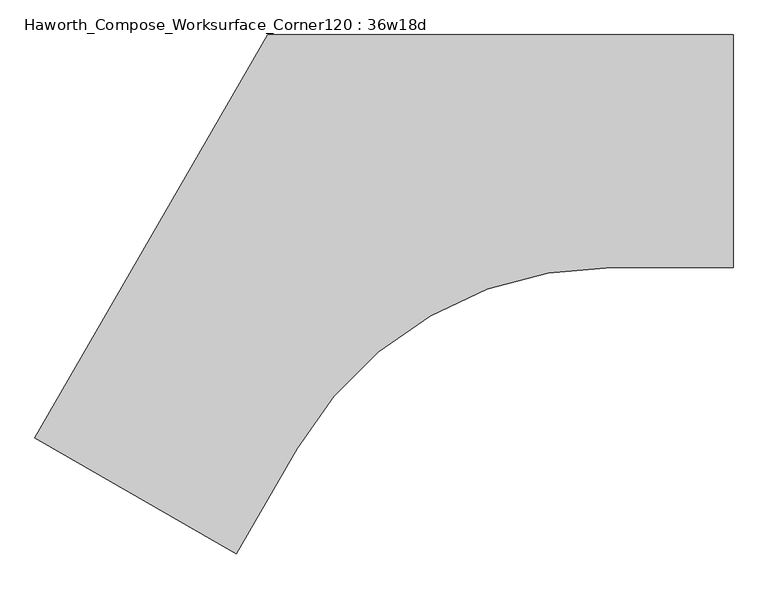
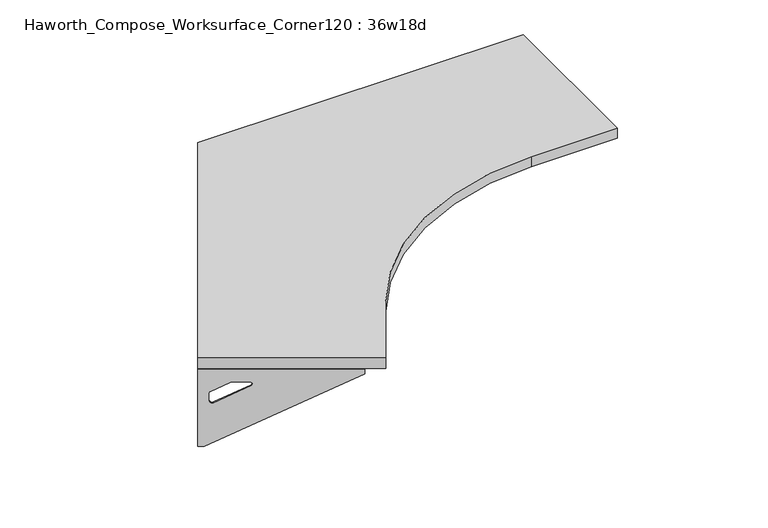
"""IFC4 building model written with IfcOpenShell, lengths in millimetres: furniture geometry, Haworth_Compose_Worksurface_Corner120 : 36w18d."""

import ifcopenshell
import ifcopenshell.guid

model = None  # the IFC model being written
_history = None  # IfcOwnerHistory: only IFC2X3 demands one
_inside = {}  # id of a spatial element -> (the spatial element, [elements in it])
_under = {}  # id of a project, library or spatial element -> (it, [spatial elements below it])
_declared = {}  # id of a project -> (the project, [libraries it declares])
_typed = {}  # id of a type object -> (the type object, [elements of that type])
_made_of = {}  # id of a material, layer set ... -> (it, [elements and type objects made of it])


def new_model(schema):
    """Start an empty IFC model of exactly this schema.

    Asked for "IFC4X3", IfcOpenShell would pick the latest addendum, in which some entities
    have other attributes; the version numbers below select the first issue.
    IFC2X3 requires an IfcOwnerHistory on every rooted entity: one is made here for all.
    """
    global model, _history
    if schema == "IFC4X3":
        model = ifcopenshell.file(schema_version=(4, 3, 0, 0))
    else:
        model = ifcopenshell.file(schema=schema)
    _inside.clear()
    _under.clear()
    _declared.clear()
    _typed.clear()
    _made_of.clear()
    _history = None
    if model.schema == "IFC2X3":
        org = make("IfcOrganization", Name="unknown")
        user = make(
            "IfcPersonAndOrganization",
            ThePerson=make("IfcPerson", FamilyName="unknown"),
            TheOrganization=org,
        )
        app = make(
            "IfcApplication",
            ApplicationDeveloper=org,
            Version="unknown",
            ApplicationFullName="unknown",
            ApplicationIdentifier="unknown",
        )
        _history = make(
            "IfcOwnerHistory",
            OwningUser=user,
            OwningApplication=app,
            ChangeAction="ADDED",
            CreationDate=0,
        )
    return model


def make(cls, **values):
    """One entity of the class cls with the attributes given. An attribute that is None is left unset."""
    return model.create_entity(
        cls, **{name: value for name, value in values.items() if value is not None}
    )


def rooted(cls, **values):
    """An entity with a GlobalId (a new one), such as an element, a storey or a relation."""
    return make(cls, GlobalId=ifcopenshell.guid.new(), OwnerHistory=_history, **values)


def si_unit(unit_type, name, prefix=None):
    """IfcSIUnit, for example si_unit("LENGTHUNIT", "METRE", prefix="MILLI")."""
    return make("IfcSIUnit", UnitType=unit_type, Prefix=prefix, Name=name)


def assignment(units):
    """IfcUnitAssignment: the units of a project."""
    return None if units is None else make("IfcUnitAssignment", Units=units)


def point(xyz):
    """IfcCartesianPoint."""
    return None if xyz is None else make("IfcCartesianPoint", Coordinates=xyz)


def direction(xyz):
    """IfcDirection."""
    return None if xyz is None else make("IfcDirection", DirectionRatios=xyz)


def frame(location, z_axis=None, x_axis=None):
    """IfcAxis2Placement3D, a coordinate frame: its origin and axes. An axis left out is left unset."""
    return make(
        "IfcAxis2Placement3D",
        Location=point(location),
        Axis=direction(z_axis),
        RefDirection=direction(x_axis),
    )


def frame_2d(location, x_axis=None):
    """IfcAxis2Placement2D, a coordinate frame in the plane: its origin and x axis."""
    return make(
        "IfcAxis2Placement2D", Location=point(location), RefDirection=direction(x_axis)
    )


def origin():
    """The frame at (0, 0, 0) with its axes left unset."""
    return frame((0.0, 0.0, 0.0))


def place(relative_to, where):
    """IfcLocalPlacement: puts the frame where relative to a parent placement (None: the world)."""
    return make(
        "IfcLocalPlacement", PlacementRelTo=relative_to, RelativePlacement=where
    )


def context(
    kind, dimensions, precision=None, world=None, true_north=None, identifier=None
):
    """IfcGeometricRepresentationContext, for example the 3D "Model" context."""
    return make(
        "IfcGeometricRepresentationContext",
        ContextIdentifier=identifier,
        ContextType=kind,
        CoordinateSpaceDimension=dimensions,
        Precision=precision,
        WorldCoordinateSystem=world,
        TrueNorth=true_north,
    )


def project(units=None, contexts=None):
    """IfcProject with its units and contexts."""
    return rooted(
        "IfcProject",
        Name="project",
        RepresentationContexts=contexts,
        UnitsInContext=assignment(units),
    )


def spatial(cls, under=None, at=None, **own):
    """A site, building, storey or space (cls), placed at a placement, below another one or the project."""
    s = rooted(cls, ObjectPlacement=at, **own)
    if under is not None:
        _under.setdefault(under.id(), (under, []))[1].append(s)
    return s


def polyline(points):
    """IfcPolyline through the points."""
    return make("IfcPolyline", Points=[point(p) for p in points])


def circle_curve(where, radius):
    """IfcCircle in the frame where."""
    return make("IfcCircle", Position=where, Radius=radius)


def trimmed(basis, trim1, trim2, sense, master):
    """IfcTrimmedCurve: the piece of a basis curve between two trims."""
    return make(
        "IfcTrimmedCurve",
        BasisCurve=basis,
        Trim1=trim1,
        Trim2=trim2,
        SenseAgreement=sense,
        MasterRepresentation=master,
    )


def segment(curve, same_sense, transition):
    """IfcCompositeCurveSegment."""
    return make(
        "IfcCompositeCurveSegment",
        Transition=transition,
        SameSense=same_sense,
        ParentCurve=curve,
    )


def composite_curve(segments, self_intersect=None):
    """IfcCompositeCurve: segments joined end to end."""
    return make("IfcCompositeCurve", Segments=segments, SelfIntersect=self_intersect)


def outline(outer, holes=None, kind="AREA"):
    """IfcArbitraryClosedProfileDef: a profile drawn as a closed curve; with holes, ...WithVoids."""
    if holes is None:
        return make("IfcArbitraryClosedProfileDef", ProfileType=kind, OuterCurve=outer)
    return make(
        "IfcArbitraryProfileDefWithVoids",
        ProfileType=kind,
        OuterCurve=outer,
        InnerCurves=holes,
    )


def extrude(swept, where, along, depth):
    """IfcExtrudedAreaSolid: the profile swept, set in the frame where, extruded along a direction by depth."""
    return make(
        "IfcExtrudedAreaSolid",
        SweptArea=swept,
        Position=where,
        ExtrudedDirection=direction(along),
        Depth=depth,
    )


def shape(context_of_items, identifier, shape_type, items):
    """IfcShapeRepresentation: the items that make up one representation, for example the "Body"."""
    return make(
        "IfcShapeRepresentation",
        ContextOfItems=context_of_items,
        RepresentationIdentifier=identifier,
        RepresentationType=shape_type,
        Items=items,
    )


def source(mapping_origin, context_of_items, identifier, shape_type, items):
    """IfcRepresentationMap: a shape defined once, which mapped items show again and again."""
    return make(
        "IfcRepresentationMap",
        MappingOrigin=mapping_origin,
        MappedRepresentation=shape(context_of_items, identifier, shape_type, items),
    )


def transform(
    local_origin,
    x_axis=None,
    y_axis=None,
    z_axis=None,
    scale=None,
    scale2=None,
    scale3=None,
    uniform=True,
):
    """IfcCartesianTransformationOperator3D, or its non-uniform kind. x_axis, y_axis, z_axis: its Axis1, 2, 3."""
    if uniform:
        return make(
            "IfcCartesianTransformationOperator3D",
            Axis1=direction(x_axis),
            Axis2=direction(y_axis),
            LocalOrigin=point(local_origin),
            Scale=scale,
            Axis3=direction(z_axis),
        )
    return make(
        "IfcCartesianTransformationOperator3DnonUniform",
        Axis1=direction(x_axis),
        Axis2=direction(y_axis),
        LocalOrigin=point(local_origin),
        Scale=scale,
        Axis3=direction(z_axis),
        Scale2=scale2,
        Scale3=scale3,
    )


def mapped(mapping_source, mapping_target):
    """IfcMappedItem: shows the shape of a source again, moved by a transform."""
    return make(
        "IfcMappedItem", MappingSource=mapping_source, MappingTarget=mapping_target
    )


def made_of(thing, what):
    """Note that an element or type object is made of a material, layer set ...; save() writes the relation."""
    if what is not None:
        _made_of.setdefault(what.id(), (what, []))[1].append(thing)
    return thing


def element(
    cls,
    number,
    at=None,
    inside=None,
    cuts=None,
    type_object=None,
    material=None,
    context=None,
    identifier="Body",
    shape_type=None,
    held_by="IfcProductDefinitionShape",
    body=None,
    shapes=None,
    **own,
):
    """One element of the class cls, such as IfcWall. Its Tag is "e" and its number.

    at: its placement. inside: the storey or other place that contains it. cuts: it is an
    opening in that element (IfcRelVoidsElement). A single representation is given by context,
    identifier, shape_type and body (its items); several are given by shapes. held_by: the class
    of the entity that holds the representations. save() writes the other relations.
    """
    e = rooted(cls, Tag="e%d" % number, ObjectPlacement=at, **own)
    if body is not None:
        shapes = [shape(context, identifier, shape_type, body)]
    if shapes is not None:
        e.Representation = make(held_by, Representations=shapes)
    if inside is not None:
        _inside.setdefault(inside.id(), (inside, []))[1].append(e)
    if cuts is not None:
        rooted(
            "IfcRelVoidsElement", RelatingBuildingElement=cuts, RelatedOpeningElement=e
        )
    if type_object is not None:
        _typed.setdefault(type_object.id(), (type_object, []))[1].append(e)
    return made_of(e, material)


def aggregate(whole, parts):
    """IfcRelAggregates: a whole, such as a stair, and the parts it consists of."""
    return rooted("IfcRelAggregates", RelatingObject=whole, RelatedObjects=parts)


def save(model, path):
    """Write the relations noted so far, then the file.

    IfcRelAggregates (storeys below a building ...), IfcRelContainedInSpatialStructure (elements
    in a storey), IfcRelDefinesByType, IfcRelAssociatesMaterial and IfcRelDeclares: one each for
    every whole, place, type object, material and project.
    """
    for whole, parts in _under.values():
        aggregate(whole, parts)
    for where, things in _inside.values():
        rooted(
            "IfcRelContainedInSpatialStructure",
            RelatedElements=things,
            RelatingStructure=where,
        )
    for kind, things in _typed.values():
        rooted("IfcRelDefinesByType", RelatedObjects=things, RelatingType=kind)
    for what, things in _made_of.values():
        rooted("IfcRelAssociatesMaterial", RelatedObjects=things, RelatingMaterial=what)
    for by, libraries in _declared.values():
        rooted("IfcRelDeclares", RelatingContext=by, RelatedDefinitions=libraries)
    model.write(path)


def plane_surface(at):
    """IfcPlane: the flat surface through the origin of the frame at, square to its z axis."""
    return make("IfcPlane", Position=at)


def revolved_surface(curve, axis_point, axis_direction):
    """IfcSurfaceOfRevolution: the curve turned about the line through axis_point along axis_direction."""
    return make(
        "IfcSurfaceOfRevolution",
        SweptCurve=make("IfcArbitraryOpenProfileDef", ProfileType="CURVE", Curve=curve),
        AxisPosition=make("IfcAxis1Placement", Location=point(axis_point), Axis=direction(axis_direction)),
    )


def advanced_brep(points, edges, surfaces, faces):
    """IfcAdvancedBrep: a solid bounded by faces that lie on surfaces and meet in shared edges.

    An edge is (start, end): straight between two places in points (the first is 0);
    or (start, end, curve); or (start, end, curve, False) where it runs against its curve.
    A face is (place in surfaces, loops), or (place, loops, False) where it looks against
    its surface's normal. A loop lists edges by number (the first is 1), with a minus sign
    where the edge is run from its end to its start. The first loop is the outer one.
    """
    corners = [point(p) for p in points]
    vertices = [make("IfcVertexPoint", VertexGeometry=c) for c in corners]
    made = []
    for start, end, *more in edges:
        made.append(
            make(
                "IfcEdgeCurve",
                EdgeStart=vertices[start],
                EdgeEnd=vertices[end],
                EdgeGeometry=more[0] if more else make("IfcPolyline", Points=[corners[start], corners[end]]),
                SameSense=more[1] if len(more) > 1 else True,
            )
        )
    hull = []
    for where, loops, *sense in faces:
        bounds = []
        for j, loop in enumerate(loops):
            ring = [make("IfcOrientedEdge", EdgeElement=made[abs(k) - 1], Orientation=k > 0) for k in loop]
            bounds.append(
                make(
                    "IfcFaceOuterBound" if j == 0 else "IfcFaceBound",
                    Bound=make("IfcEdgeLoop", EdgeList=ring),
                    Orientation=True,
                )
            )
        hull.append(make("IfcAdvancedFace", Bounds=bounds, FaceSurface=surfaces[where], SameSense=sense[0] if sense else True))
    return make("IfcAdvancedBrep", Outer=make("IfcClosedShell", CfsFaces=hull))


def haworth_compose_worksurface_corner120_36w18d_43731341(model_context):
    return source(origin(), model_context, "Body", "SolidModel", [
        advanced_brep(
        [(150.01875, 304.8, 473.86875), (150.01875, 288.925, 473.86875), (150.01875, -101.6, 690.1317568), (150.01875, -101.6, 702.46875), (150.01875, 288.925, 702.46875), (150.01875, 304.8, 702.46875), (150.01875, 221.490072, 664.36875), (150.01875, 177.8355284, 664.36875), (150.01875, 175.1564235, 654.7830539), (150.01875, 266.8776173, 603.9901439), (150.01875, 276.225, 609.5881969), (150.01875, 276.225, 633.0985246), (150.01875, 274.4730055, 635.9367776), (150.01875, 224.5663437, 663.5738425), (152.4, 304.8, 473.86875), (152.4, 304.8, 702.46875), (152.4, 288.925, 702.46875), (152.4, 288.925, 704.85), (152.4, -101.6, 704.85), (152.4, -101.6, 690.1317568), (152.4, 288.925, 473.86875), (152.4, 221.490072, 664.36875), (152.4, 224.5663437, 663.5738425), (152.4, 274.4730055, 635.9367776), (152.4, 276.225, 633.0985246), (152.4, 276.225, 609.5881969), (152.4, 266.8776173, 603.9901439), (152.4, 175.1564235, 654.7830539), (152.4, 177.8355284, 664.36875), (111.125, -101.6, 704.85), (111.125, -101.6, 702.46875), (111.125, 288.925, 702.46875), (111.125, 288.925, 704.85)],
        [
            (0, 1),
            (1, 2),
            (2, 3),
            (3, 4),
            (4, 5),
            (5, 0),
            (6, 7),
            (7, 8, circle_curve(frame((150.01875, 177.8355284, 659.2015106), z_axis=(1.0, 0.0, 0.0), x_axis=(0.0, -1.0, 0.0)), 5.1672394)),
            (8, 9),
            (9, 10, circle_curve(frame((150.01875, 269.875, 609.5881969), z_axis=(1.0, 0.0, 0.0), x_axis=(0.0, -1.0, 0.0)), 6.35)),
            (10, 11),
            (11, 12, circle_curve(frame((150.01875, 273.05, 633.0985246), z_axis=(1.0, 0.0, 0.0), x_axis=(0.0, -1.0, 0.0)), 3.175)),
            (12, 13),
            (13, 6, circle_curve(frame((150.01875, 221.490072, 658.01875), z_axis=(1.0, 0.0, 0.0), x_axis=(0.0, -1.0, 0.0)), 6.35)),
            (14, 15),
            (15, 16),
            (16, 17),
            (17, 18),
            (18, 19),
            (19, 20),
            (20, 14),
            (21, 22, circle_curve(frame((152.4, 221.490072, 658.01875), z_axis=(-1.0, 0.0, 0.0), x_axis=(0.0, -1.0, 0.0)), 6.35)),
            (22, 23),
            (23, 24, circle_curve(frame((152.4, 273.05, 633.0985246), z_axis=(-1.0, 0.0, 0.0), x_axis=(0.0, -1.0, 0.0)), 3.175)),
            (24, 25),
            (25, 26, circle_curve(frame((152.4, 269.875, 609.5881969), z_axis=(-1.0, 0.0, 0.0), x_axis=(0.0, -1.0, 0.0)), 6.35)),
            (26, 27),
            (27, 28, circle_curve(frame((152.4, 177.8355284, 659.2015106), z_axis=(-1.0, 0.0, 0.0), x_axis=(0.0, -1.0, 0.0)), 5.1672394)),
            (28, 21),
            (4, 16),
            (15, 5),
            (14, 0),
            (20, 1),
            (19, 2),
            (18, 29),
            (29, 30),
            (30, 3),
            (6, 21),
            (28, 7),
            (9, 26),
            (25, 10),
            (24, 11),
            (23, 12),
            (27, 8),
            (31, 4),
            (30, 31),
            (32, 29),
            (17, 32),
            (31, 32),
            (22, 13),
        ],
        [
            plane_surface(frame((150.01875, 304.8, 473.86875), z_axis=(-1.0, 0.0, 0.0), x_axis=(0.0, 1.0, 0.0))),
            plane_surface(frame((152.4, 304.8, 473.86875), z_axis=(1.0, 0.0, 0.0), x_axis=(0.0, -1.0, 0.0))),
            plane_surface(frame((152.4, -101.6, 702.46875), z_axis=(0.0, 0.0, 1.0), x_axis=(-1.0, 0.0, 0.0))),
            plane_surface(frame((152.4, 304.8, 702.46875), z_axis=(0.0, 1.0, 0.0), x_axis=(-1.0, 0.0, 0.0))),
            plane_surface(frame((152.4, 304.8, 473.86875), z_axis=(0.0, 0.0, -1.0), x_axis=(-1.0, 0.0, 0.0))),
            plane_surface(frame((152.4, 288.925, 473.86875), z_axis=(0.0, -0.4844522351345575, -0.8748177135112957), x_axis=(-1.0, 0.0, 0.0))),
            plane_surface(frame((152.4, -101.6, 690.1317568), z_axis=(0.0, -1.0, 0.0), x_axis=(-1.0, 0.0, 0.0))),
            plane_surface(frame((152.4, 221.490072, 664.36875), z_axis=(0.0, 0.0, -1.0), x_axis=(-1.0, 0.0, 0.0))),
            revolved_surface(polyline([(150.01875, 263.525, 609.5881969), (152.4, 263.525, 609.5881969)]), (152.4, 269.875, 609.5881969), (-1.0, 0.0, 0.0)),
            plane_surface(frame((152.4, 276.225, 609.5881969), z_axis=(0.0, -1.0, 0.0), x_axis=(-1.0, 0.0, 0.0))),
            revolved_surface(polyline([(150.01875, 269.875, 633.0985246), (152.4, 269.875, 633.0985246)]), (152.4, 273.05, 633.0985246), (-1.0, 0.0, 0.0)),
            revolved_surface(polyline([(150.01875, 172.668289, 659.2015106), (152.4, 172.668289, 659.2015106)]), (152.4, 177.8355284, 659.2015106), (-1.0, 0.0, 0.0)),
            plane_surface(frame((152.4, 288.925, 702.46875), z_axis=(0.0, 0.0, -1.0), x_axis=(-1.0, 0.0, 0.0))),
            plane_surface(frame((152.4, 288.925, 704.85), z_axis=(0.0, 0.0, 1.0), x_axis=(1.0, 0.0, 0.0))),
            plane_surface(frame((111.125, 288.925, 704.85), z_axis=(0.0, 1.0, 0.0), x_axis=(0.0, 0.0, -1.0))),
            plane_surface(frame((111.125, -101.6, 704.85), z_axis=(-1.0, 0.0, 0.0), x_axis=(0.0, 0.0, -1.0))),
            plane_surface(frame((152.4, 175.1564235, 654.7830539), z_axis=(0.0, 0.4844522351341526, 0.8748177135115199), x_axis=(-1.0, 0.0, 0.0))),
            plane_surface(frame((152.4, 274.4730055, 635.9367776), z_axis=(0.0, -0.48445223513456226, -0.874817713511293), x_axis=(-1.0, 0.0, 0.0))),
            revolved_surface(polyline([(150.01875, 215.140072, 658.01875), (152.4, 215.140072, 658.01875)]), (152.4, 221.490072, 658.01875), (-1.0, 0.0, 0.0)),
        ],
        [
            (0, [[1, 2, 3, 4, 5, 6], [7, 8, 9, 10, 11, 12, 13, 14]]),
            (1, [[15, 16, 17, 18, 19, 20, 21], [22, 23, 24, 25, 26, 27, 28, 29]]),
            (2, [[-5, 30, -16, 31]]),
            (3, [[-31, -15, 32, -6]]),
            (4, [[-32, -21, 33, -1]]),
            (5, [[-33, -20, 34, -2]]),
            (6, [[-34, -19, 35, 36, 37, -3]]),
            (7, [[38, -29, 39, -7]]),
            (8, [[40, -26, 41, -10]]),
            (9, [[-41, -25, 42, -11]]),
            (10, [[-42, -24, 43, -12]]),
            (11, [[-39, -28, 44, -8]]),
            (12, [[45, -4, -37, 46]]),
            (13, [[47, -35, -18, 48]]),
            (14, [[-17, -30, -45, 49, -48]]),
            (15, [[-36, -47, -49, -46]]),
            (16, [[-44, -27, -40, -9]]),
            (17, [[-43, -23, 50, -13]]),
            (18, [[-50, -22, -38, -14]]),
        ],
    ),
        advanced_brep(
        [(-1218.009375, -485.0314062, 473.86875), (-1218.009375, -485.0314062, 702.46875), (-1204.2612217, -492.9689062, 702.46875), (-866.0566509, -688.2314062, 702.46875), (-866.0566509, -688.2314062, 690.1317568), (-1204.2612217, -492.9689062, 473.86875), (-1145.860861, -526.6863702, 664.36875), (-1148.5249904, -525.1482344, 663.5738425), (-1191.7454274, -500.1949035, 635.9367776), (-1193.2626991, -499.3189062, 633.0985246), (-1193.2626991, -499.3189062, 609.5881969), (-1185.1676282, -503.9925976, 603.9901439), (-1105.7347443, -549.8531945, 654.7830539), (-1108.0549172, -548.513642, 664.36875), (-1219.2, -487.0936292, 473.86875), (-1205.4518467, -495.0311292, 473.86875), (-867.2472759, -690.2936292, 690.1317568), (-867.2472759, -690.2936292, 704.85), (-1205.4518467, -495.0311292, 704.85), (-1205.4518467, -495.0311292, 702.46875), (-1219.2, -487.0936292, 702.46875), (-1147.051486, -528.7485932, 664.36875), (-1109.2455422, -550.575865, 664.36875), (-1106.9253693, -551.9154175, 654.7830539), (-1186.3582532, -506.0548206, 603.9901439), (-1194.4533241, -501.3811292, 609.5881969), (-1194.4533241, -501.3811292, 633.0985246), (-1192.9360524, -502.2571265, 635.9367776), (-1149.7156154, -527.2104574, 663.5738425), (-846.6097759, -654.5484307, 702.46875), (-846.6097759, -654.5484307, 704.85), (-1184.8143467, -459.2859307, 702.46875), (-1184.8143467, -459.2859307, 704.85)],
        [
            (0, 1),
            (1, 2),
            (2, 3),
            (3, 4),
            (4, 5),
            (5, 0),
            (6, 7, circle_curve(frame((-1145.860861, -526.6863702, 658.01875), z_axis=(-0.5000000000000026, -0.8660254037844374, 0.0), x_axis=(0.8660254037844372, -0.5000000000000024, 0.0)), 6.35)),
            (7, 8),
            (8, 9, circle_curve(frame((-1190.5130684, -500.9064062, 633.0985246), z_axis=(-0.5000000000000026, -0.8660254037844374, 0.0), x_axis=(0.8660254037844372, -0.5000000000000024, 0.0)), 3.175)),
            (9, 10),
            (10, 11, circle_curve(frame((-1187.7634378, -502.4939062, 609.5881969), z_axis=(-0.5000000000000026, -0.8660254037844374, 0.0), x_axis=(0.8660254037844372, -0.5000000000000024, 0.0)), 6.35)),
            (11, 12),
            (12, 13, circle_curve(frame((-1108.0549172, -548.513642, 659.2015106), z_axis=(-0.5000000000000026, -0.8660254037844374, 0.0), x_axis=(0.8660254037844372, -0.5000000000000024, 0.0)), 5.1672394)),
            (13, 6),
            (14, 15),
            (15, 16),
            (16, 17),
            (17, 18),
            (18, 19),
            (19, 20),
            (20, 14),
            (21, 22),
            (22, 23, circle_curve(frame((-1109.2455422, -550.575865, 659.2015106), z_axis=(0.5000000000000026, 0.8660254037844374, 0.0), x_axis=(0.8660254037844372, -0.5000000000000024, 0.0)), 5.1672394)),
            (23, 24),
            (24, 25, circle_curve(frame((-1188.9540628, -504.5561292, 609.5881969), z_axis=(0.5000000000000026, 0.8660254037844374, 0.0), x_axis=(0.8660254037844372, -0.5000000000000024, 0.0)), 6.35)),
            (25, 26),
            (26, 27, circle_curve(frame((-1191.7036934, -502.9686292, 633.0985246), z_axis=(0.5000000000000026, 0.8660254037844374, 0.0), x_axis=(0.8660254037844372, -0.5000000000000024, 0.0)), 3.175)),
            (27, 28),
            (28, 21, circle_curve(frame((-1147.051486, -528.7485932, 658.01875), z_axis=(0.5000000000000026, 0.8660254037844374, 0.0), x_axis=(0.8660254037844372, -0.5000000000000024, 0.0)), 6.35)),
            (1, 20),
            (19, 2),
            (0, 14),
            (5, 15),
            (4, 16),
            (3, 29),
            (29, 30),
            (30, 17),
            (13, 22),
            (21, 6),
            (10, 25),
            (24, 11),
            (9, 26),
            (8, 27),
            (12, 23),
            (31, 29),
            (2, 31),
            (32, 18),
            (30, 32),
            (32, 31),
            (7, 28),
        ],
        [
            plane_surface(frame((-1218.009375, -485.0314062, 473.86875), z_axis=(0.5000000000000026, 0.8660254037844373, 0.0), x_axis=(-0.8660254037844373, 0.5000000000000026, 0.0))),
            plane_surface(frame((-1219.2, -487.0936292, 473.86875), z_axis=(-0.5000000000000026, -0.8660254037844373, 0.0), x_axis=(0.8660254037844373, -0.5000000000000026, 0.0))),
            plane_surface(frame((-867.2472759, -690.2936292, 702.46875), z_axis=(0.0, 0.0, 1.0), x_axis=(0.5000000000000011, 0.866025403784438, 0.0))),
            plane_surface(frame((-1219.2, -487.0936292, 702.46875), z_axis=(-0.866025403784438, 0.5000000000000011, 0.0), x_axis=(0.5000000000000011, 0.866025403784438, 0.0))),
            plane_surface(frame((-1219.2, -487.0936292, 473.86875), z_axis=(0.0, 0.0, -1.0), x_axis=(0.5000000000000011, 0.866025403784438, 0.0))),
            plane_surface(frame((-1205.4518467, -495.0311292, 473.86875), z_axis=(0.41954794254667943, -0.24222611756727808, -0.8748177135112957), x_axis=(0.5000000000000011, 0.866025403784438, 0.0))),
            plane_surface(frame((-867.2472759, -690.2936292, 690.1317568), z_axis=(0.866025403784438, -0.5000000000000011, 0.0), x_axis=(0.5000000000000011, 0.866025403784438, 0.0))),
            plane_surface(frame((-1147.051486, -528.7485932, 664.36875), z_axis=(0.0, 0.0, -1.0), x_axis=(0.5000000000000011, 0.866025403784438, 0.0))),
            revolved_surface(polyline([(-1182.2641764793268, -505.66890619573394, 609.5881969), (-1183.4548014983855, -507.7311292215063, 609.5881969)]), (-1188.9540628, -504.5561292, 609.5881969), (0.5000000000000024, 0.8660254037844372, 0.0)),
            plane_surface(frame((-1194.4533241, -501.3811292, 609.5881969), z_axis=(0.866025403784438, -0.5000000000000011, 0.0), x_axis=(0.5000000000000011, 0.866025403784438, 0.0))),
            revolved_surface(polyline([(-1187.7634377398501, -502.49390620180964, 633.0985246), (-1188.954062786454, -504.5561292752913, 633.0985246)]), (-1191.7036934, -502.9686292, 633.0985246), (0.5000000000000024, 0.8660254037844372, 0.0)),
            revolved_surface(polyline([(-1103.57995660903, -551.0972617018095, 659.2015106), (-1104.7705816345158, -553.1594847387139, 659.2015106)]), (-1109.2455422, -550.575865, 659.2015106), (0.5000000000000024, 0.8660254037844372, 0.0)),
            plane_surface(frame((-1205.4518467, -495.0311292, 702.46875), z_axis=(0.0, 0.0, -1.0), x_axis=(0.5000000000000011, 0.866025403784438, 0.0))),
            plane_surface(frame((-1205.4518467, -495.0311292, 704.85), z_axis=(0.0, 0.0, 1.0), x_axis=(-0.5000000000000011, -0.866025403784438, 0.0))),
            plane_surface(frame((-1184.8143467, -459.2859307, 704.85), z_axis=(-0.866025403784438, 0.5000000000000011, 0.0), x_axis=(0.0, 0.0, -1.0))),
            plane_surface(frame((-846.6097759, -654.5484307, 704.85), z_axis=(0.5000000000000011, 0.866025403784438, 0.0), x_axis=(0.0, 0.0, -1.0))),
            plane_surface(frame((-1106.9253693, -551.9154175, 654.7830539), z_axis=(-0.41954794254632877, 0.24222611756707563, 0.87481771351152), x_axis=(0.5000000000000011, 0.866025403784438, 0.0))),
            plane_surface(frame((-1192.9360524, -502.2571265, 635.9367776), z_axis=(0.4195479425466836, -0.24222611756728046, -0.874817713511293), x_axis=(0.5000000000000011, 0.866025403784438, 0.0))),
            revolved_surface(polyline([(-1140.3615996828346, -529.8613702018097, 658.01875), (-1141.5522246973337, -531.9235932196844, 658.01875)]), (-1147.051486, -528.7485932, 658.01875), (0.5000000000000024, 0.8660254037844372, 0.0)),
        ],
        [
            (0, [[1, 2, 3, 4, 5, 6], [7, 8, 9, 10, 11, 12, 13, 14]]),
            (1, [[15, 16, 17, 18, 19, 20, 21], [22, 23, 24, 25, 26, 27, 28, 29]]),
            (2, [[30, -20, 31, -2]]),
            (3, [[-1, 32, -21, -30]]),
            (4, [[-6, 33, -15, -32]]),
            (5, [[-5, 34, -16, -33]]),
            (6, [[-4, 35, 36, 37, -17, -34]]),
            (7, [[-14, 38, -22, 39]]),
            (8, [[-11, 40, -25, 41]]),
            (9, [[-10, 42, -26, -40]]),
            (10, [[-9, 43, -27, -42]]),
            (11, [[-13, 44, -23, -38]]),
            (12, [[45, -35, -3, 46]]),
            (13, [[47, -18, -37, 48]]),
            (14, [[-47, 49, -46, -31, -19]]),
            (15, [[-45, -49, -48, -36]]),
            (16, [[-12, -41, -24, -44]]),
            (17, [[-8, 50, -28, -43]]),
            (18, [[-7, -39, -29, -50]]),
        ],
    ),
        extrude(outline(composite_curve([segment(polyline([(-1219.2, -487.0936292), (-762.0, 304.8), (152.4, 304.8), (152.4, -152.4), (-87.4239455, -152.4)]), True, "CONTINUOUS"), segment(trimmed(circle_curve(frame_2d((-87.4239455, -863.6)), 711.2), [point((-87.4239455, -152.4))], [point((-703.3412127, -508.0))], True, "CARTESIAN"), True, "CONTINUOUS"), segment(polyline([(-703.3412127, -508.0), (-823.2531854, -715.6936292), (-1219.2, -487.0936292)]), True, "CONTINUOUS")], self_intersect=False)), frame((0.0, 0.0, 706.4375), z_axis=(0.0, 0.0, 1.0), x_axis=(1.0, 0.0, 0.0)), (0.0, 0.0, 1.0), 30.1625),
    ])


if __name__ == "__main__":
    model = new_model("IFC4")
    model_context = context("Model", 3, world=origin())
    ifc_project = project(units=[si_unit("LENGTHUNIT", "METRE", prefix="MILLI")], contexts=[model_context])
    site = spatial("IfcSite", under=ifc_project)
    building = spatial("IfcBuilding", under=site)
    placement = place(None, origin())
    haworth_compose_worksurface_corner120_36w18d_shape = haworth_compose_worksurface_corner120_36w18d_43731341(model_context)
    element("IfcFurniture", 1, ObjectType="Haworth_Compose_Worksurface_Corner120 : 36w18d", at=placement, inside=building, context=model_context, shape_type="MappedRepresentation", body=[
        mapped(haworth_compose_worksurface_corner120_36w18d_shape, transform((0.0, 0.0, 0.0), x_axis=(1.0, 0.0, 0.0), y_axis=(0.0, 1.0, 0.0), z_axis=(0.0, 0.0, 1.0))),
    ])
    save(model, "model.ifc")
